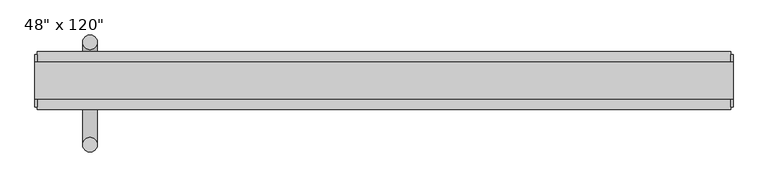
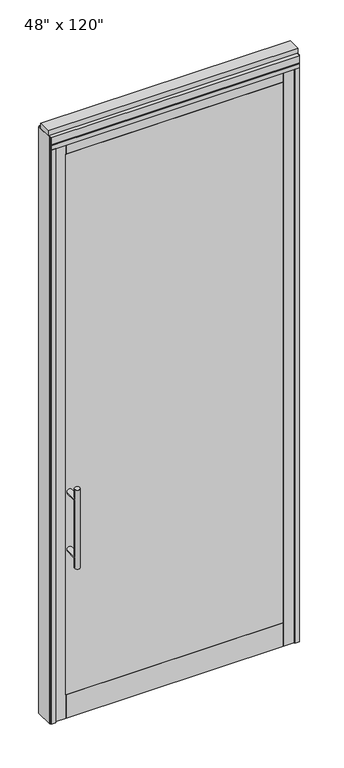
"""IFC4 building model written with IfcOpenShell, lengths in millimetres: furniture geometry."""

from ifc_helpers import new_model, si_unit, frame, origin, origin_with_axes, place, context, project, spatial, polyline, circle_curve, ellipse_curve, outline, extrude, source, transform, mapped, element, save
from ifc_brep_helpers import plane_surface, cylinder_surface, advanced_brep


def furniture_1bb1fa9f(model_context):
    return source(origin(), model_context, "Body", "SolidModel", [
        extrude(outline(polyline([(470.0614771, -48.9677216), (-590.1345229, -48.9677216), (-590.1345229, -38.8077216), (470.0614771, -38.8077216), (470.0614771, -48.9677216)])), frame((0.0, 0.0, 120.65), z_axis=(0.0, 0.0, 1.0), x_axis=(1.0, 0.0, 0.0)), (0.0, 0.0, 1.0), 2787.65),
        extrude(outline(polyline([(470.0614771, -14.6777216), (-590.1345229, -14.6777216), (-590.1345229, -4.5177216), (470.0614771, -4.5177216), (470.0614771, -14.6777216)])), frame((0.0, 0.0, 120.65), z_axis=(0.0, 0.0, 1.0), x_axis=(1.0, 0.0, 0.0)), (0.0, 0.0, 1.0), 2787.65),
        advanced_brep(
        [(-586.1975229, 63.0462784, 1219.2), (-560.7975229, 63.0462784, 1219.2), (-586.1975229, 63.0462784, 812.8), (-560.7975229, 63.0462784, 812.8), (-560.7975229, 63.0462784, 1164.336), (-560.7975229, 63.0462784, 867.664), (-586.1975229, 63.0462784, 867.664), (-586.1975229, 63.0462784, 1164.336), (-586.1975229, -4.5177216, 1164.336), (-560.7975229, -4.5177216, 1164.336), (-586.1975229, -4.5177216, 867.664), (-560.7975229, -4.5177216, 867.664)],
        [
            (0, 1, circle_curve(frame((-573.4975229, 63.0462784, 1219.2), z_axis=(0.0, 0.0, 1.0), x_axis=(1.0, 0.0, 0.0)), 12.7)),
            (1, 0, circle_curve(frame((-573.4975229, 63.0462784, 1219.2), z_axis=(0.0, 0.0, 1.0), x_axis=(1.0, 0.0, 0.0)), 12.7)),
            (2, 3, circle_curve(frame((-573.4975229, 63.0462784, 812.8), z_axis=(0.0, 0.0, -1.0), x_axis=(1.0, 0.0, 0.0)), 12.7)),
            (3, 2, circle_curve(frame((-573.4975229, 63.0462784, 812.8), z_axis=(0.0, 0.0, -1.0), x_axis=(1.0, 0.0, 0.0)), 12.7)),
            (1, 4),
            (4, 5),
            (5, 3),
            (2, 6),
            (6, 7),
            (7, 0),
            (6, 5, ellipse_curve(frame((-573.4975229, 63.0462784, 867.664), z_axis=(0.0, 0.707106781186565, 0.70710678118653), x_axis=(0.0, -0.70710678118653, 0.707106781186565)), 17.9605122, 12.7)),
            (4, 7, ellipse_curve(frame((-573.4975229, 63.0462784, 1164.336), z_axis=(0.0, 0.70710678118653, -0.7071067811865649), x_axis=(0.0, 0.7071067811865648, 0.7071067811865301)), 17.9605122, 12.7)),
            (7, 4, ellipse_curve(frame((-573.4975229, 63.0462784, 1164.336), z_axis=(0.0, 0.707106781186565, 0.70710678118653), x_axis=(0.0, -0.70710678118653, 0.707106781186565)), 17.9605122, 12.7)),
            (5, 6, ellipse_curve(frame((-573.4975229, 63.0462784, 867.664), z_axis=(0.0, 0.70710678118653, -0.7071067811865649), x_axis=(0.0, 0.7071067811865648, 0.7071067811865301)), 17.9605122, 12.7)),
            (8, 9, circle_curve(frame((-573.4975229, -4.5177216, 1164.336), z_axis=(0.0, -1.0, 0.0), x_axis=(1.0, 0.0, 0.0)), 12.7)),
            (9, 8, circle_curve(frame((-573.4975229, -4.5177216, 1164.336), z_axis=(0.0, -1.0, 0.0), x_axis=(1.0, 0.0, 0.0)), 12.7)),
            (8, 7),
            (4, 9),
            (10, 11, circle_curve(frame((-573.4975229, -4.5177216, 867.664), z_axis=(0.0, -1.0, 0.0), x_axis=(1.0, 0.0, 0.0)), 12.7)),
            (11, 10, circle_curve(frame((-573.4975229, -4.5177216, 867.664), z_axis=(0.0, -1.0, 0.0), x_axis=(1.0, 0.0, 0.0)), 12.7)),
            (10, 6),
            (5, 11),
        ],
        [
            plane_surface(frame((-560.7975229, 63.0462784, 1219.2), z_axis=(0.0, 0.0, 1.0), x_axis=(0.0, -1.0, 0.0))),
            plane_surface(frame((-560.7975229, 63.0462784, 812.8), z_axis=(0.0, 0.0, -1.0), x_axis=(0.0, 1.0, 0.0))),
            cylinder_surface(frame((-573.4975229, 63.0462784, 812.8), z_axis=(0.0, 0.0, 1.0), x_axis=(1.0, 0.0, 0.0)), 12.7),
            plane_surface(frame((-560.7975229, -4.5177216, 1164.336), z_axis=(0.0, -1.0, 0.0), x_axis=(0.0, 0.0, -1.0))),
            cylinder_surface(frame((-573.4975229, -4.5177216, 1164.336), z_axis=(0.0, 1.0, 0.0), x_axis=(1.0, 0.0, 0.0)), 12.7),
            plane_surface(frame((-560.7975229, -4.5177216, 867.664), z_axis=(0.0, -1.0, 0.0), x_axis=(0.0, 0.0, -1.0))),
            cylinder_surface(frame((-573.4975229, -4.5177216, 867.664), z_axis=(0.0, 1.0, 0.0), x_axis=(1.0, 0.0, 0.0)), 12.7),
        ],
        [
            (0, [[1, 2]]),
            (1, [[3, 4]]),
            (2, [[5, 6, 7, -3, 8, 9, 10, -2]]),
            (2, [[-9, 11, -6, 12]]),
            (2, [[-10, 13, -5, -1]]),
            (2, [[-7, 14, -8, -4]]),
            (3, [[15, 16]]),
            (4, [[17, -12, 18, -15]]),
            (4, [[-18, -13, -17, -16]]),
            (5, [[19, 20]]),
            (6, [[21, -14, 22, -19]]),
            (6, [[-22, -11, -21, -20]]),
        ],
    ),
        advanced_brep(
        [(-586.1975229, -116.5317216, 1219.2), (-560.7975229, -116.5317216, 1219.2), (-586.1975229, -116.5317216, 812.8), (-560.7975229, -116.5317216, 812.8), (-586.1975229, -116.5317216, 1164.336), (-586.1975229, -116.5317216, 867.664), (-560.7975229, -116.5317216, 867.664), (-560.7975229, -116.5317216, 1164.336), (-586.1975229, -48.9677216, 1164.336), (-560.7975229, -48.9677216, 1164.336), (-586.1975229, -48.9677216, 867.664), (-560.7975229, -48.9677216, 867.664)],
        [
            (0, 1, circle_curve(frame((-573.4975229, -116.5317216, 1219.2), z_axis=(0.0, 0.0, 1.0), x_axis=(1.0, 0.0, 0.0)), 12.7)),
            (1, 0, circle_curve(frame((-573.4975229, -116.5317216, 1219.2), z_axis=(0.0, 0.0, 1.0), x_axis=(1.0, 0.0, 0.0)), 12.7)),
            (2, 3, circle_curve(frame((-573.4975229, -116.5317216, 812.8), z_axis=(0.0, 0.0, -1.0), x_axis=(1.0, 0.0, 0.0)), 12.7)),
            (3, 2, circle_curve(frame((-573.4975229, -116.5317216, 812.8), z_axis=(0.0, 0.0, -1.0), x_axis=(1.0, 0.0, 0.0)), 12.7)),
            (0, 4),
            (4, 5),
            (5, 2),
            (3, 6),
            (6, 7),
            (7, 1),
            (7, 4, ellipse_curve(frame((-573.4975229, -116.5317216, 1164.336), z_axis=(0.0, -0.707106781186565, 0.70710678118653), x_axis=(0.0, 0.70710678118653, 0.707106781186565)), 17.9605122, 12.7)),
            (5, 6, ellipse_curve(frame((-573.4975229, -116.5317216, 867.664), z_axis=(0.0, -0.70710678118653, -0.7071067811865649), x_axis=(0.0, -0.7071067811865648, 0.7071067811865301)), 17.9605122, 12.7)),
            (4, 7, ellipse_curve(frame((-573.4975229, -116.5317216, 1164.336), z_axis=(0.0, -0.70710678118653, -0.7071067811865649), x_axis=(0.0, -0.7071067811865648, 0.7071067811865301)), 17.9605122, 12.7)),
            (6, 5, ellipse_curve(frame((-573.4975229, -116.5317216, 867.664), z_axis=(0.0, -0.707106781186565, 0.70710678118653), x_axis=(0.0, 0.70710678118653, 0.707106781186565)), 17.9605122, 12.7)),
            (8, 9, circle_curve(frame((-573.4975229, -48.9677216, 1164.336), z_axis=(0.0, 1.0, 0.0), x_axis=(1.0, 0.0, 0.0)), 12.7)),
            (9, 8, circle_curve(frame((-573.4975229, -48.9677216, 1164.336), z_axis=(0.0, 1.0, 0.0), x_axis=(1.0, 0.0, 0.0)), 12.7)),
            (9, 7),
            (4, 8),
            (10, 11, circle_curve(frame((-573.4975229, -48.9677216, 867.664), z_axis=(0.0, 1.0, 0.0), x_axis=(1.0, 0.0, 0.0)), 12.7)),
            (11, 10, circle_curve(frame((-573.4975229, -48.9677216, 867.664), z_axis=(0.0, 1.0, 0.0), x_axis=(1.0, 0.0, 0.0)), 12.7)),
            (11, 6),
            (5, 10),
        ],
        [
            plane_surface(frame((-560.7975229, -116.5317216, 1219.2), z_axis=(0.0, 0.0, 1.0), x_axis=(0.0, 1.0, 0.0))),
            plane_surface(frame((-560.7975229, -116.5317216, 812.8), z_axis=(0.0, 0.0, -1.0), x_axis=(0.0, -1.0, 0.0))),
            cylinder_surface(frame((-573.4975229, -116.5317216, 812.8), z_axis=(0.0, 0.0, 1.0), x_axis=(1.0, 0.0, 0.0)), 12.7),
            plane_surface(frame((-560.7975229, -48.9677216, 1164.336), z_axis=(0.0, 1.0, 0.0), x_axis=(0.0, 0.0, -1.0))),
            cylinder_surface(frame((-573.4975229, -48.9677216, 1164.336), z_axis=(0.0, -1.0, 0.0), x_axis=(1.0, 0.0, 0.0)), 12.7),
            plane_surface(frame((-560.7975229, -48.9677216, 867.664), z_axis=(0.0, 1.0, 0.0), x_axis=(0.0, 0.0, -1.0))),
            cylinder_surface(frame((-573.4975229, -48.9677216, 867.664), z_axis=(0.0, -1.0, 0.0), x_axis=(1.0, 0.0, 0.0)), 12.7),
        ],
        [
            (0, [[1, 2]]),
            (1, [[3, 4]]),
            (2, [[-1, 5, 6, 7, -4, 8, 9, 10]]),
            (2, [[-2, -10, 11, -5]]),
            (2, [[-3, -7, 12, -8]]),
            (2, [[13, -9, 14, -6]]),
            (3, [[15, 16]]),
            (4, [[-16, 17, -13, 18]]),
            (4, [[-15, -18, -11, -17]]),
            (5, [[19, 20]]),
            (6, [[-20, 21, -12, 22]]),
            (6, [[-19, -22, -14, -21]]),
        ],
    ),
        extrude(outline(polyline([(470.5694771, -48.9677216), (-589.6265229, -48.9677216), (-589.6265229, -4.5177216), (470.5694771, -4.5177216), (470.5694771, -48.9677216)])), frame((0.0, 0.0, 2908.3), z_axis=(0.0, 0.0, 1.0), x_axis=(1.0, 0.0, 0.0)), (0.0, 0.0, 1.0), 50.8),
        extrude(outline(polyline([(470.5694771, -48.9677216), (-589.6265229, -48.9677216), (-589.6265229, -4.5177216), (470.5694771, -4.5177216), (470.5694771, -48.9677216)])), origin_with_axes(), (0.0, 0.0, 1.0), 120.65),
        extrude(outline(polyline([(-589.6265229, -48.9677216), (-643.4745229, -48.9677216), (-643.4745229, -4.5177216), (-589.6265229, -4.5177216), (-589.6265229, -48.9677216)])), origin_with_axes(), (0.0, 0.0, 1.0), 2959.1),
        extrude(outline(polyline([(523.4014771, -48.9677216), (470.5694771, -48.9677216), (470.5694771, -4.5177216), (523.4014771, -4.5177216), (523.4014771, -48.9677216)])), origin_with_axes(), (0.0, 0.0, 1.0), 2959.1),
        extrude(outline(polyline([(-665.6995229, 46.2822784), (-643.4745229, 46.2822784), (-643.4745229, 20.8822784), (-630.7745229, 20.8822784), (-630.7745229, -4.5177216), (-643.4745229, -4.5177216), (-643.4745229, -55.3177216), (-665.6995229, -55.3177216), (-665.6995229, 46.2822784)])), origin_with_axes(), (0.0, 0.0, 1.0), 2959.1),
        extrude(outline(polyline([(-665.6995229, -55.3177216), (-665.6995229, 46.2822784), (545.6264771, 46.2822784), (545.6264771, -55.3177216), (-665.6995229, -55.3177216)])), frame((0.0, 0.0, 2959.1), z_axis=(0.0, 0.0, 1.0), x_axis=(1.0, 0.0, 0.0)), (0.0, 0.0, 1.0), 22.225),
        extrude(outline(polyline([(549.5634771, -50.3647216), (545.6264771, -50.3647216), (545.6264771, 41.3292784), (549.5634771, 41.3292784), (549.5634771, -50.3647216)])), origin_with_axes(), (0.0, 0.0, 1.0), 3022.6),
        extrude(outline(polyline([(-669.6365229, -50.3647216), (-669.6365229, 41.3292784), (-665.6995229, 41.3292784), (-665.6995229, -50.3647216), (-669.6365229, -50.3647216)])), origin_with_axes(), (0.0, 0.0, 1.0), 3022.6),
        extrude(outline(polyline([(545.6264771, 46.2822784), (545.6264771, -55.3177216), (523.4014771, -55.3177216), (523.4014771, -4.5177216), (510.7014771, -4.5177216), (510.7014771, 20.8822784), (523.4014771, 20.8822784), (523.4014771, 46.2822784), (545.6264771, 46.2822784)])), origin_with_axes(), (0.0, 0.0, 1.0), 2959.1),
        extrude(outline(polyline([(-55.3177216, 2986.278), (-55.3177216, 3022.6), (46.2822784, 3022.6), (46.2822784, 2986.278), (41.3292784, 2986.278), (41.3292784, 2981.325), (-50.3647216, 2981.325), (-50.3647216, 2986.278), (-55.3177216, 2986.278)])), frame((-665.6995229, 0.0, 0.0), z_axis=(1.0, 0.0, 0.0), x_axis=(0.0, 1.0, 0.0)), (0.0, 0.0, 1.0), 1211.326),
        extrude(outline(polyline([(-669.6365229, -37.0297216), (-669.6365229, 27.9942784), (549.5634771, 27.9942784), (549.5634771, -37.0297216), (-669.6365229, -37.0297216)])), frame((0.0, 0.0, 3022.6), z_axis=(0.0, 0.0, 1.0), x_axis=(1.0, 0.0, 0.0)), (0.0, 0.0, 1.0), 25.4),
    ])


if __name__ == "__main__":
    model = new_model("IFC4")
    model_context = context("Model", 3, world=origin())
    ifc_project = project(units=[si_unit("LENGTHUNIT", "METRE", prefix="MILLI")], contexts=[model_context])
    site = spatial("IfcSite", under=ifc_project)
    building = spatial("IfcBuilding", under=site)
    placement = place(None, origin())
    furniture_shape = furniture_1bb1fa9f(model_context)
    element("IfcFurniture", 1, ObjectType="48\" x 120\"", at=placement, inside=building, context=model_context, shape_type="MappedRepresentation", body=[
        mapped(furniture_shape, transform((0.0, 0.0, 0.0), x_axis=(1.0, 0.0, 0.0), y_axis=(0.0, 1.0, 0.0), z_axis=(0.0, 0.0, 1.0))),
    ])
    save(model, "model.ifc")
